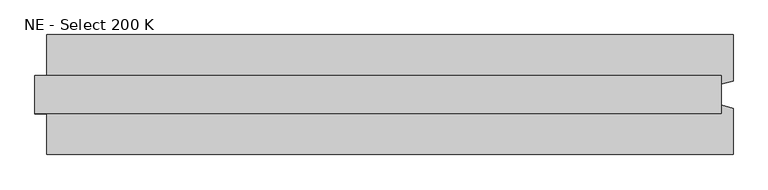
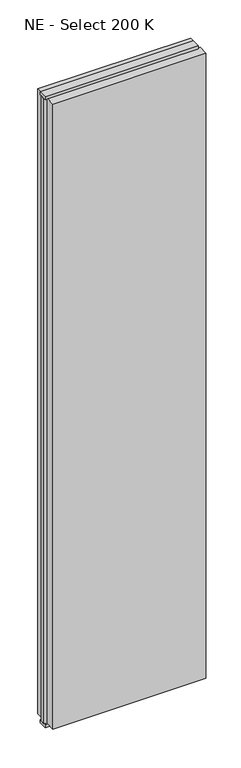
"""IFC4 building model written with IfcOpenShell, lengths in millimetres: plate geometry, NE - Select 200 K."""

from ifc_helpers import new_model, si_unit, frame, origin, origin_with_axes, place, context, project, spatial, polyline, outline, extrude, source, transform, mapped, element, save


def ne_select_200_k_ca89b6a9(model_context):
    return source(origin(), model_context, "Body", "SweptSolid", [
        extrude(outline(polyline([(592.9166667, 100.0), (592.9166667, 22.9993165), (572.9166667, 17.6401049), (572.9166667, -17.6401049), (592.9166667, -22.9993165), (592.9166667, -100.0), (-552.9166667, -100.0), (-552.9166667, -22.9993165), (-572.9166667, -17.6401049), (-572.9166667, 17.6401049), (-552.9166667, 22.9993165), (-552.9166667, 100.0), (592.9166667, 100.0)])), frame((0.0, 0.0, 25.0), z_axis=(0.0, 0.0, 1.0), x_axis=(1.0, 0.0, 0.0)), (0.0, 0.0, 1.0), 4950.0),
        extrude(outline(polyline([(572.9166667, 32.0), (572.9166667, -32.0), (-572.9166667, -32.0), (-572.9166667, 32.0), (572.9166667, 32.0)])), origin_with_axes(), (0.0, 0.0, 1.0), 25.0),
        extrude(outline(polyline([(572.9166667, 32.0), (572.9166667, -32.0), (-572.9166667, -32.0), (-572.9166667, 32.0), (572.9166667, 32.0)])), frame((0.0, 0.0, 4975.0), z_axis=(0.0, 0.0, 1.0), x_axis=(1.0, 0.0, 0.0)), (0.0, 0.0, 1.0), 25.0),
    ])


if __name__ == "__main__":
    model = new_model("IFC4")
    model_context = context("Model", 3, world=origin())
    ifc_project = project(units=[si_unit("LENGTHUNIT", "METRE", prefix="MILLI")], contexts=[model_context])
    site = spatial("IfcSite", under=ifc_project)
    building = spatial("IfcBuilding", under=site)
    placement = place(None, origin())
    ne_select_200_k_shape = ne_select_200_k_ca89b6a9(model_context)
    element("IfcPlate", 1, ObjectType="NE - Select 200 K", at=placement, inside=building, context=model_context, shape_type="MappedRepresentation", body=[
        mapped(ne_select_200_k_shape, transform((0.0, 0.0, 0.0), x_axis=(1.0, 0.0, 0.0), y_axis=(0.0, 1.0, 0.0), z_axis=(0.0, 0.0, 1.0))),
    ])
    save(model, "model.ifc")
